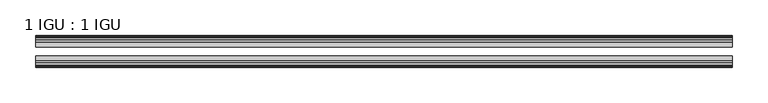
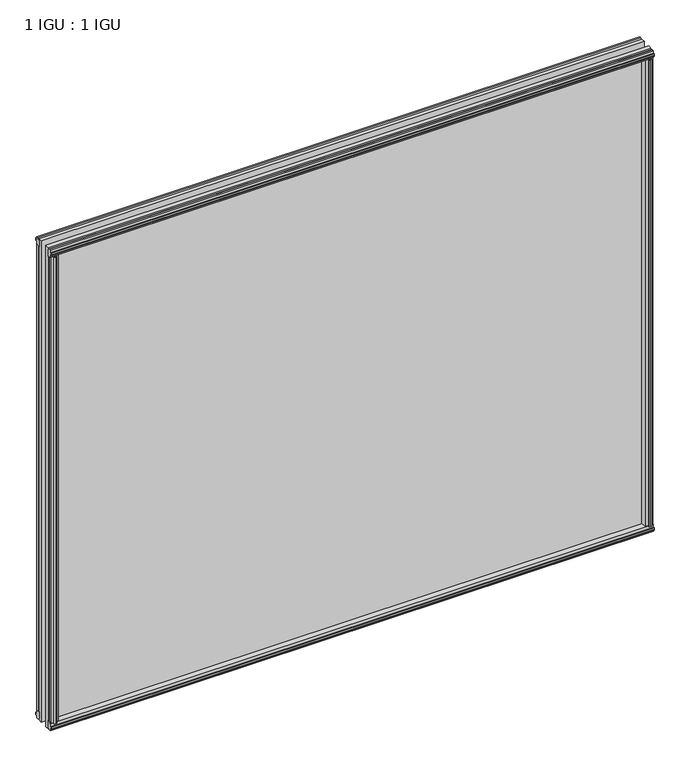
"""IFC4 building model written with IfcOpenShell, lengths in millimetres: plate geometry, 1 IGU : 1 IGU."""

from ifc_helpers import new_model, si_unit, frame, origin, origin_with_axes, place, context, project, spatial, polyline, outline, extrude, source, transform, mapped, element, save


def plate_1_igu_1_igu_13360727(model_context):
    return source(origin(), model_context, "Body", "SweptSolid", [
        extrude(outline(polyline([(474.6215546, -19.5460937), (476.7268317, -13.1960937), (481.9340261, -13.1960937), (482.3150261, -10.8158968), (480.8994971, -11.27583), (480.8994971, -10.4746158), (483.0770261, -9.7670937), (485.2545552, -10.4746158), (485.2545552, -11.27583), (483.8390261, -10.8158968), (484.2200261, -13.1960937), (488.6650261, -13.1960937), (488.6650261, -16.1419073), (486.4519486, -19.5460937), (474.6215546, -19.5460937)])), origin_with_axes(), (0.0, 0.0, 1.0), 800.1),
        extrude(outline(polyline([(-474.6215546, -19.5460937), (-486.4519486, -19.5460937), (-488.6650261, -16.1419073), (-488.6650261, -13.1960937), (-484.2200261, -13.1960937), (-483.8390261, -10.8158968), (-485.2545552, -11.27583), (-485.2545552, -10.4746158), (-483.0770261, -9.7670937), (-480.8994971, -10.4746158), (-480.8994971, -11.27583), (-482.3150261, -10.8158968), (-481.9340261, -13.1960937), (-476.7268317, -13.1960937), (-474.6215546, -19.5460937)])), origin_with_axes(), (0.0, 0.0, 1.0), 800.1),
        extrude(outline(polyline([(-16.1419073, -12.4576852), (-19.5460937, -10.2446077), (-19.5460937, 1.5857863), (-13.1960937, -0.5194908), (-13.1960937, -5.7266852), (-10.8158968, -6.1076852), (-11.27583, -4.6921562), (-10.4746158, -4.6921562), (-9.7670937, -6.8696852), (-10.4746158, -9.0472143), (-11.27583, -9.0472143), (-10.8158968, -7.6316852), (-13.1960937, -8.0126852), (-13.1960937, -12.4576852), (-16.1419073, -12.4576852)])), frame((-488.9073409, 0.0, 0.0), z_axis=(1.0, 0.0, 0.0), x_axis=(0.0, 1.0, 0.0)), (0.0, 0.0, 1.0), 977.8146818),
        extrude(outline(polyline([(-48.3502802, -11.938), (-51.2960937, -11.938), (-51.2960937, -7.493), (-53.6762907, -7.112), (-53.2163575, -8.5275291), (-54.0175717, -8.5275291), (-54.7250937, -6.35), (-54.0175717, -4.172471), (-53.2163575, -4.172471), (-53.6762907, -5.588), (-51.2960937, -5.207), (-51.2960937, 0.0001944), (-44.9460937, 2.1054715), (-44.9460937, -9.7249225), (-48.3502802, -11.938)])), frame((-488.9073409, 0.0, 0.0), z_axis=(1.0, 0.0, 0.0), x_axis=(0.0, 1.0, 0.0)), (0.0, 0.0, 1.0), 977.8146818),
        extrude(outline(polyline([(-16.1028367, 812.5576852), (-13.1960937, 812.5576852), (-13.1960937, 808.1126852), (-10.8158968, 807.7316852), (-11.27583, 809.1472143), (-10.4746158, 809.1472143), (-9.7670937, 806.9696852), (-10.4746158, 804.7921562), (-11.27583, 804.7921562), (-10.8158968, 806.2076852), (-13.1960937, 805.8266852), (-13.1960937, 800.5940908), (-19.5460937, 798.4888137), (-19.5460937, 810.3192077), (-16.1028367, 812.5576852)])), frame((-488.9073409, 0.0, 0.0), z_axis=(1.0, 0.0, 0.0), x_axis=(0.0, 1.0, 0.0)), (0.0, 0.0, 1.0), 977.8146818),
        extrude(outline(polyline([(-48.3893508, 812.0126), (-44.9460937, 809.7741225), (-44.9460937, 797.9437285), (-51.2960937, 800.0490056), (-51.2960937, 805.2816), (-53.6762907, 805.6626), (-53.2163575, 804.247071), (-54.0175717, 804.247071), (-54.7250938, 806.4246), (-54.0175717, 808.6021291), (-53.2163575, 808.6021291), (-53.6762907, 807.1866), (-51.2960937, 807.5676), (-51.2960937, 812.0126), (-48.3893508, 812.0126)])), frame((-488.9073409, 0.0, 0.0), z_axis=(1.0, 0.0, 0.0), x_axis=(0.0, 1.0, 0.0)), (0.0, 0.0, 1.0), 977.8146818),
        extrude(outline(polyline([(-474.1018694, -44.9460938), (-476.2071465, -51.2960938), (-481.4143409, -51.2960938), (-481.7953409, -53.6762907), (-480.3798119, -53.2163575), (-480.3798119, -54.0175717), (-482.5573409, -54.7250938), (-484.73487, -54.0175717), (-484.73487, -53.2163575), (-483.3193409, -53.6762907), (-483.7003409, -51.2960938), (-488.1453409, -51.2960938), (-488.1453409, -48.3502802), (-485.9322634, -44.9460938), (-474.1018694, -44.9460938)])), origin_with_axes(), (0.0, 0.0, 1.0), 800.1),
        extrude(outline(polyline([(474.1018694, -44.9460938), (485.9322634, -44.9460938), (488.1453409, -48.3502802), (488.1453409, -51.2960938), (483.7003409, -51.2960938), (483.3193409, -53.6762907), (484.73487, -53.2163575), (484.73487, -54.0175717), (482.5573409, -54.7250938), (480.3798119, -54.0175717), (480.3798119, -53.2163575), (481.7953409, -53.6762907), (481.4143409, -51.2960938), (476.2071465, -51.2960938), (474.1018694, -44.9460938)])), origin_with_axes(), (0.0, 0.0, 1.0), 800.1),
        extrude(outline(polyline([(488.9073409, -19.5460937), (488.9073409, -25.8337453), (-488.9073409, -25.8337453), (-488.9073409, -19.5460937), (488.9073409, -19.5460937)])), frame((0.0, 0.0, -12.7), z_axis=(0.0, 0.0, 1.0), x_axis=(1.0, 0.0, 0.0)), (0.0, 0.0, 1.0), 825.4872998),
        extrude(outline(polyline([(-488.9073409, -44.9460937), (-488.9073409, -38.6468938), (488.9073409, -38.6468938), (488.9073409, -44.9460937), (-488.9073409, -44.9460937)])), frame((0.0, 0.0, -12.7), z_axis=(0.0, 0.0, 1.0), x_axis=(1.0, 0.0, 0.0)), (0.0, 0.0, 1.0), 825.4872998),
    ])


if __name__ == "__main__":
    model = new_model("IFC4")
    model_context = context("Model", 3, world=origin())
    ifc_project = project(units=[si_unit("LENGTHUNIT", "METRE", prefix="MILLI")], contexts=[model_context])
    site = spatial("IfcSite", under=ifc_project)
    building = spatial("IfcBuilding", under=site)
    placement = place(None, origin())
    plate_1_igu_1_igu_shape = plate_1_igu_1_igu_13360727(model_context)
    element("IfcPlate", 1, ObjectType="1 IGU : 1 IGU", at=placement, inside=building, context=model_context, shape_type="MappedRepresentation", body=[
        mapped(plate_1_igu_1_igu_shape, transform((0.0, 0.0, 0.0), x_axis=(1.0, 0.0, 0.0), y_axis=(0.0, 1.0, 0.0), z_axis=(0.0, 0.0, 1.0))),
    ])
    save(model, "model.ifc")
